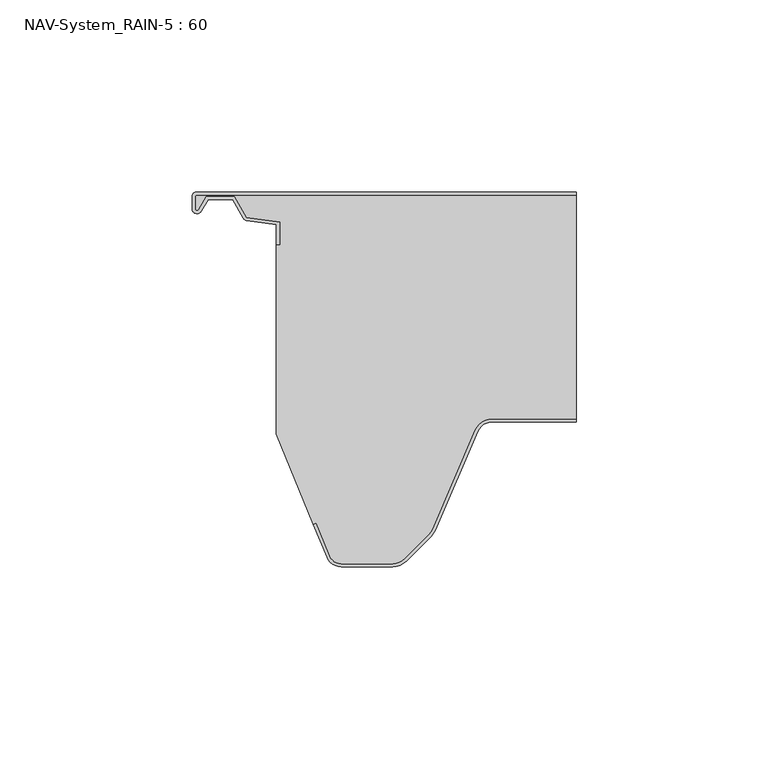
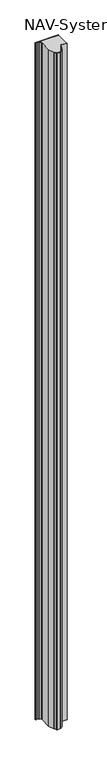
"""IFC4 building model written with IfcOpenShell, lengths in millimetres: plate geometry, NAV-System_RAIN-5 : 60."""

from ifc_helpers import new_model, si_unit, point, frame_2d, origin, origin_with_axes, place, context, project, spatial, polyline, circle_curve, trimmed, segment, composite_curve, outline, extrude, source, transform, mapped, element, save


def nav_system_rain_5_60_2fdf0d94(model_context):
    return source(origin(), model_context, "Body", "SweptSolid", [
        extrude(outline(composite_curve([segment(trimmed(circle_curve(frame_2d((-48.7, -1.3)), 0.5), [point((-48.7, -0.8))], [point((-49.2, -1.3))], True, "CARTESIAN"), True, "CONTINUOUS"), segment(polyline([(-49.2, -1.3), (-49.2, -4.3700191)]), True, "CONTINUOUS"), segment(trimmed(circle_curve(frame_2d((-48.7, -4.3700191)), 0.5), [point((-49.2, -4.3700191))], [point((-48.2669873, -4.6200191))], True, "CARTESIAN"), True, "CONTINUOUS"), segment(polyline([(-48.2669873, -4.6200191), (-46.2924383, -1.2), (-38.9841833, -1.2), (-35.8164586, -6.6866602), (-27.2, -7.898332), (-27.2, -13.6767555), (-28.0, -13.6767555), (-28.0, -8.5937048), (-35.6863953, -7.5128213)]), True, "CONTINUOUS"), segment(trimmed(circle_curve(frame_2d((-35.5053666, -6.2254873)), 1.3), [point((-35.6863953, -7.5128213))], [point((-36.6311996, -6.8754873))], False, "CARTESIAN"), True, "CONTINUOUS"), segment(polyline([(-36.6311996, -6.8754873), (-39.4460636, -2.0), (-45.8305581, -2.0), (-47.574167, -5.0200191)]), True, "CONTINUOUS"), segment(trimmed(circle_curve(frame_2d((-48.7, -4.3700191)), 1.3), [point((-47.574167, -5.0200191))], [point((-50.0, -4.3700191))], False, "CARTESIAN"), True, "CONTINUOUS"), segment(polyline([(-50.0, -4.3700191), (-50.0, -1.3)]), True, "CONTINUOUS"), segment(trimmed(circle_curve(frame_2d((-48.7, -1.3)), 1.3), [point((-50.0, -1.3))], [point((-48.7, 0.0))], False, "CARTESIAN"), True, "CONTINUOUS"), segment(polyline([(-48.7, 0.0), (50.0, 0.0), (50.0, -0.8), (-48.7, -0.8)]), True, "CONTINUOUS")], self_intersect=False)), origin_with_axes(), (0.0, 0.0, 1.0), 3000.0),
        extrude(outline(composite_curve([segment(trimmed(circle_curve(frame_2d((28.0709249, -64.0)), 4.8), [point((28.0709249, -59.2))], [point((23.6607271, -62.1052295))], True, "CARTESIAN"), True, "CONTINUOUS"), segment(polyline([(23.6607271, -62.1052295), (12.5754349, -87.9069459)]), True, "CONTINUOUS"), segment(trimmed(circle_curve(frame_2d((8.7165118, -86.2490217)), 4.2), [point((12.5754349, -87.9069459))], [point((11.6863603, -89.2188701))], False, "CARTESIAN"), True, "CONTINUOUS"), segment(polyline([(11.6863603, -89.2188701), (5.235382, -95.6698485)]), True, "CONTINUOUS"), segment(trimmed(circle_curve(frame_2d((2.2655335, -92.7)), 4.2), [point((5.235382, -95.6698485))], [point((2.2655335, -96.9))], False, "CARTESIAN"), True, "CONTINUOUS"), segment(polyline([(2.2655335, -96.9), (-11.1405186, -96.9)]), True, "CONTINUOUS"), segment(trimmed(circle_curve(frame_2d((-11.1405186, -93.7)), 3.2), [point((-11.1405186, -96.9))], [point((-14.1022482, -94.9116756))], False, "CARTESIAN"), True, "CONTINUOUS"), segment(polyline([(-14.1022482, -94.9116756), (-17.6292254, -86.2905951), (-18.3696578, -86.593514), (-28.0, -63.053822), (-28.0, -13.6767555), (-27.2, -13.6767555), (-27.2, -7.898332), (-35.8164586, -6.6866602), (-38.9841833, -1.2), (-46.2924383, -1.2), (-48.2669873, -4.6200191)]), True, "CONTINUOUS"), segment(trimmed(circle_curve(frame_2d((-48.7, -4.3700191)), 0.5), [point((-48.2669873, -4.6200191))], [point((-49.2, -4.3700191))], False, "CARTESIAN"), True, "CONTINUOUS"), segment(polyline([(-49.2, -4.3700191), (-49.2, -1.3)]), True, "CONTINUOUS"), segment(trimmed(circle_curve(frame_2d((-48.7, -1.3)), 0.5), [point((-49.2, -1.3))], [point((-48.7, -0.8))], False, "CARTESIAN"), True, "CONTINUOUS"), segment(polyline([(-48.7, -0.8), (50.0, -0.8), (50.0, -59.2), (28.0709249, -59.2)]), True, "CONTINUOUS")], self_intersect=False)), origin_with_axes(), (0.0, 0.0, 1.0), 3000.0),
        extrude(outline(composite_curve([segment(polyline([(-14.8430228, -95.2145945), (-18.37, -86.593514), (-17.6295676, -86.2905951), (-14.1025904, -94.9116756)]), True, "CONTINUOUS"), segment(trimmed(circle_curve(frame_2d((-11.1408608, -93.7)), 3.2), [point((-14.1025904, -94.9116756))], [point((-11.1408608, -96.9))], True, "CARTESIAN"), True, "CONTINUOUS"), segment(polyline([(-11.1408608, -96.9), (2.2651913, -96.9)]), True, "CONTINUOUS"), segment(trimmed(circle_curve(frame_2d((2.2651913, -92.7)), 4.2), [point((2.2651913, -96.9))], [point((5.2350397, -95.6698485))], True, "CARTESIAN"), True, "CONTINUOUS"), segment(polyline([(5.2350397, -95.6698485), (11.6860181, -89.2188701)]), True, "CONTINUOUS"), segment(trimmed(circle_curve(frame_2d((8.7161696, -86.2490217)), 4.2), [point((11.6860181, -89.2188701))], [point((12.5750927, -87.9069459))], True, "CARTESIAN"), True, "CONTINUOUS"), segment(polyline([(12.5750927, -87.9069459), (23.6603849, -62.1052295)]), True, "CONTINUOUS"), segment(trimmed(circle_curve(frame_2d((28.0705827, -64.0)), 4.8), [point((23.6603849, -62.1052295))], [point((28.0705827, -59.2))], False, "CARTESIAN"), True, "CONTINUOUS"), segment(polyline([(28.0705827, -59.2), (50.0, -59.2), (50.0, -60.0), (28.0705827, -60.0)]), True, "CONTINUOUS"), segment(trimmed(circle_curve(frame_2d((28.0705827, -64.0)), 4.0), [point((28.0705827, -60.0))], [point((24.3954178, -62.4210246))], True, "CARTESIAN"), True, "CONTINUOUS"), segment(polyline([(24.3954178, -62.4210246), (13.3101256, -88.2227409)]), True, "CONTINUOUS"), segment(trimmed(circle_curve(frame_2d((8.7161696, -86.2490217)), 5.0), [point((13.3101256, -88.2227409))], [point((12.2517035, -89.7845556))], False, "CARTESIAN"), True, "CONTINUOUS"), segment(polyline([(12.2517035, -89.7845556), (5.8007252, -96.2355339)]), True, "CONTINUOUS"), segment(trimmed(circle_curve(frame_2d((2.2651913, -92.7)), 5.0), [point((5.8007252, -96.2355339))], [point((2.2651913, -97.7))], False, "CARTESIAN"), True, "CONTINUOUS"), segment(polyline([(2.2651913, -97.7), (-11.1408608, -97.7)]), True, "CONTINUOUS"), segment(trimmed(circle_curve(frame_2d((-11.1408608, -93.7)), 4.0), [point((-11.1408608, -97.7))], [point((-14.8430228, -95.2145945))], False, "CARTESIAN"), True, "CONTINUOUS")], self_intersect=False)), origin_with_axes(), (0.0, 0.0, 1.0), 3000.0),
    ])


if __name__ == "__main__":
    model = new_model("IFC4")
    model_context = context("Model", 3, world=origin())
    ifc_project = project(units=[si_unit("LENGTHUNIT", "METRE", prefix="MILLI")], contexts=[model_context])
    site = spatial("IfcSite", under=ifc_project)
    building = spatial("IfcBuilding", under=site)
    placement = place(None, origin())
    nav_system_rain_5_60_shape = nav_system_rain_5_60_2fdf0d94(model_context)
    element("IfcPlate", 1, ObjectType="NAV-System_RAIN-5 : 60", at=placement, inside=building, context=model_context, shape_type="MappedRepresentation", body=[
        mapped(nav_system_rain_5_60_shape, transform((0.0, 0.0, 0.0), x_axis=(1.0, 0.0, 0.0), y_axis=(0.0, 1.0, 0.0), z_axis=(0.0, 0.0, 1.0))),
    ])
    save(model, "model.ifc")
